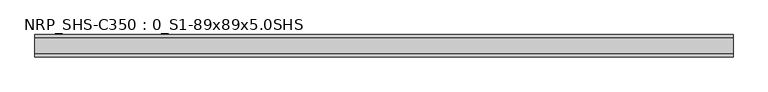
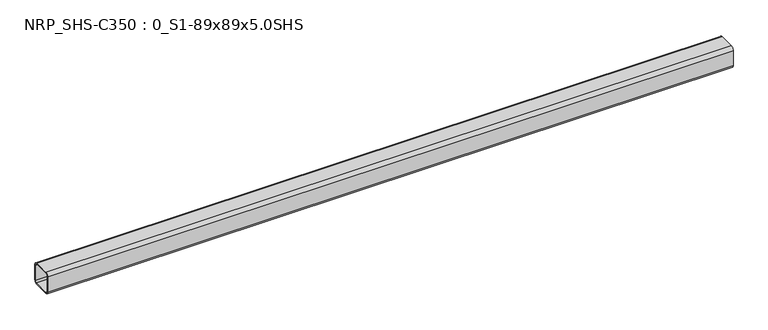
"""IFC4 building model written with IfcOpenShell, lengths in millimetres: beam geometry, NRP_SHS-C350 : 0_S1-89x89x5.0SHS."""

from ifc_helpers import new_model, si_unit, point, frame, frame_2d, origin, place, context, project, spatial, polyline, circle_curve, trimmed, segment, composite_curve, outline, extrude, source, transform, mapped, element, save


def nrp_shs_c350_0_s1_89x89x5_0shs_47fed048(model_context):
    return source(origin(), model_context, "Body", "SweptSolid", [
        extrude(outline(composite_curve([segment(trimmed(circle_curve(frame_2d((-32.0, 32.0)), 12.5), [point((-44.5, 32.0))], [point((-32.0, 44.5))], False, "CARTESIAN"), True, "CONTINUOUS"), segment(polyline([(-32.0, 44.5), (32.0, 44.5)]), True, "CONTINUOUS"), segment(trimmed(circle_curve(frame_2d((32.0, 32.0)), 12.5), [point((32.0, 44.5))], [point((44.5, 32.0))], False, "CARTESIAN"), True, "CONTINUOUS"), segment(polyline([(44.5, 32.0), (44.5, -32.0)]), True, "CONTINUOUS"), segment(trimmed(circle_curve(frame_2d((32.0, -32.0)), 12.5), [point((44.5, -32.0))], [point((32.0, -44.5))], False, "CARTESIAN"), True, "CONTINUOUS"), segment(polyline([(32.0, -44.5), (-32.0, -44.5)]), True, "CONTINUOUS"), segment(trimmed(circle_curve(frame_2d((-32.0, -32.0)), 12.5), [point((-32.0, -44.5))], [point((-44.5, -32.0))], False, "CARTESIAN"), True, "CONTINUOUS"), segment(polyline([(-44.5, -32.0), (-44.5, 32.0)]), True, "CONTINUOUS")], self_intersect=False), holes=[composite_curve([segment(polyline([(32.0, 39.5), (-32.0, 39.5)]), True, "CONTINUOUS"), segment(trimmed(circle_curve(frame_2d((-32.0, 32.0)), 7.5), [point((-32.0, 39.5))], [point((-39.5, 32.0))], True, "CARTESIAN"), True, "CONTINUOUS"), segment(polyline([(-39.5, 32.0), (-39.5, -32.0)]), True, "CONTINUOUS"), segment(trimmed(circle_curve(frame_2d((-32.0, -32.0)), 7.5), [point((-39.5, -32.0))], [point((-32.0, -39.5))], True, "CARTESIAN"), True, "CONTINUOUS"), segment(polyline([(-32.0, -39.5), (32.0, -39.5)]), True, "CONTINUOUS"), segment(trimmed(circle_curve(frame_2d((32.0, -32.0)), 7.5), [point((32.0, -39.5))], [point((39.5, -32.0))], True, "CARTESIAN"), True, "CONTINUOUS"), segment(polyline([(39.5, -32.0), (39.5, 32.0)]), True, "CONTINUOUS"), segment(trimmed(circle_curve(frame_2d((32.0, 32.0)), 7.5), [point((39.5, 32.0))], [point((32.0, 39.5))], True, "CARTESIAN"), True, "CONTINUOUS")], self_intersect=False)]), frame((-1367.0, 0.0, 0.0), z_axis=(1.0, 0.0, 0.0), x_axis=(0.0, 1.0, 0.0)), (0.0, 0.0, 1.0), 2761.0),
    ])


if __name__ == "__main__":
    model = new_model("IFC4")
    model_context = context("Model", 3, world=origin())
    ifc_project = project(units=[si_unit("LENGTHUNIT", "METRE", prefix="MILLI")], contexts=[model_context])
    site = spatial("IfcSite", under=ifc_project)
    building = spatial("IfcBuilding", under=site)
    placement = place(None, origin())
    nrp_shs_c350_0_s1_89x89x5_0shs_shape = nrp_shs_c350_0_s1_89x89x5_0shs_47fed048(model_context)
    element("IfcBeam", 1, ObjectType="NRP_SHS-C350 : 0_S1-89x89x5.0SHS", at=placement, inside=building, context=model_context, shape_type="MappedRepresentation", body=[
        mapped(nrp_shs_c350_0_s1_89x89x5_0shs_shape, transform((0.0, 0.0, 0.0), x_axis=(1.0, 0.0, 0.0), y_axis=(0.0, 1.0, 0.0), z_axis=(0.0, 0.0, 1.0))),
    ])
    save(model, "model.ifc")
